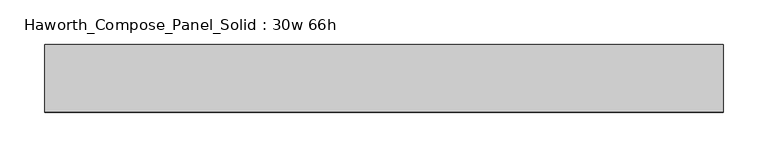
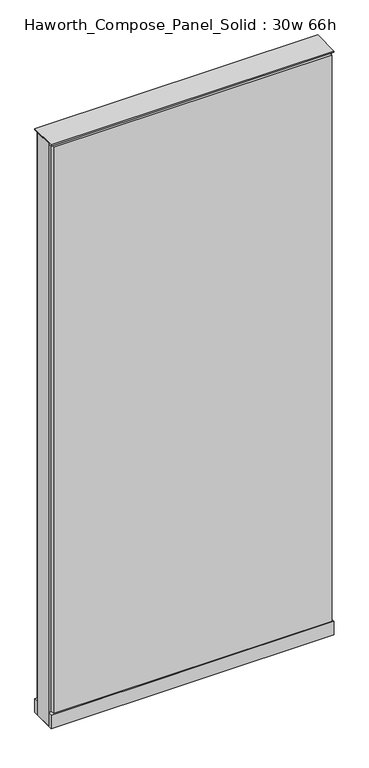
"""IFC4 building model written with IfcOpenShell, lengths in millimetres: furniture geometry, Haworth_Compose_Panel_Solid : 30w 66h."""

from ifc_helpers import new_model, si_unit, point, frame, frame_2d, origin, origin_with_axes, place, context, project, spatial, polyline, circle_curve, trimmed, segment, composite_curve, outline, extrude, source, transform, mapped, element, save


def haworth_compose_panel_solid_30w_66h_6169c545(model_context):
    return source(origin(), model_context, "Body", "SweptSolid", [
        extrude(outline(composite_curve([segment(trimmed(circle_curve(frame_2d((-302.3597098, 0.0)), 12.7), [point((-315.0597098, 0.0))], [point((-289.6597098, 0.0))], False, "CARTESIAN"), True, "CONTINUOUS"), segment(trimmed(circle_curve(frame_2d((-302.3597098, 0.0)), 12.7), [point((-289.6597098, 0.0))], [point((-315.0597098, 0.0))], False, "CARTESIAN"), True, "CONTINUOUS")], self_intersect=False)), origin_with_axes(), (0.0, 0.0, 1.0), 12.7),
        extrude(outline(composite_curve([segment(trimmed(circle_curve(frame_2d((307.2402902, 0.0)), 12.7), [point((294.5402902, 0.0))], [point((319.9402902, 0.0))], False, "CARTESIAN"), True, "CONTINUOUS"), segment(trimmed(circle_curve(frame_2d((307.2402902, 0.0)), 12.7), [point((319.9402902, 0.0))], [point((294.5402902, 0.0))], False, "CARTESIAN"), True, "CONTINUOUS")], self_intersect=False)), origin_with_axes(), (0.0, 0.0, 1.0), 12.7),
        extrude(outline(polyline([(377.0902902, -38.1), (-372.2097098, -38.1), (-372.2097098, -25.4), (377.0902902, -25.4), (377.0902902, -38.1)])), frame((0.0, 0.0, 53.975), z_axis=(0.0, 0.0, 1.0), x_axis=(1.0, 0.0, 0.0)), (0.0, 0.0, 1.0), 1609.725),
        extrude(outline(polyline([(377.0902902, 38.1), (377.0902902, 25.4), (-372.2097098, 25.4), (-372.2097098, 38.1), (377.0902902, 38.1)])), frame((0.0, 0.0, 53.975), z_axis=(0.0, 0.0, 1.0), x_axis=(1.0, 0.0, 0.0)), (0.0, 0.0, 1.0), 1609.725),
        extrude(outline(polyline([(383.4402902, -25.4), (-378.5597098, -25.4), (-378.5597098, 25.4), (383.4402902, 25.4), (383.4402902, -25.4)])), frame((0.0, 0.0, 12.7), z_axis=(0.0, 0.0, 1.0), x_axis=(1.0, 0.0, 0.0)), (0.0, 0.0, 1.0), 1657.35),
        extrude(outline(polyline([(-378.5597098, 38.1), (383.4402902, 38.1), (383.4402902, -38.1), (-378.5597098, -38.1), (-378.5597098, 38.1)])), frame((0.0, 0.0, 12.7), z_axis=(0.0, 0.0, 1.0), x_axis=(1.0, 0.0, 0.0)), (0.0, 0.0, 1.0), 38.1),
        extrude(outline(polyline([(-378.5597098, 38.1), (383.4402902, 38.1), (383.4402902, -38.1), (-378.5597098, -38.1), (-378.5597098, 38.1)])), frame((0.0, 0.0, 1670.05), z_axis=(0.0, 0.0, 1.0), x_axis=(1.0, 0.0, 0.0)), (0.0, 0.0, 1.0), 3.175),
    ])


if __name__ == "__main__":
    model = new_model("IFC4")
    model_context = context("Model", 3, world=origin())
    ifc_project = project(units=[si_unit("LENGTHUNIT", "METRE", prefix="MILLI")], contexts=[model_context])
    site = spatial("IfcSite", under=ifc_project)
    building = spatial("IfcBuilding", under=site)
    placement = place(None, origin())
    haworth_compose_panel_solid_30w_66h_shape = haworth_compose_panel_solid_30w_66h_6169c545(model_context)
    element("IfcFurniture", 1, ObjectType="Haworth_Compose_Panel_Solid : 30w 66h", at=placement, inside=building, context=model_context, shape_type="MappedRepresentation", body=[
        mapped(haworth_compose_panel_solid_30w_66h_shape, transform((0.0, 0.0, 0.0), x_axis=(1.0, 0.0, 0.0), y_axis=(0.0, 1.0, 0.0), z_axis=(0.0, 0.0, 1.0))),
    ])
    save(model, "model.ifc")
